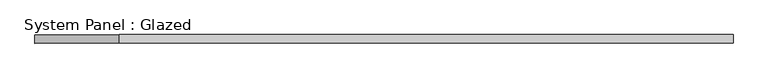
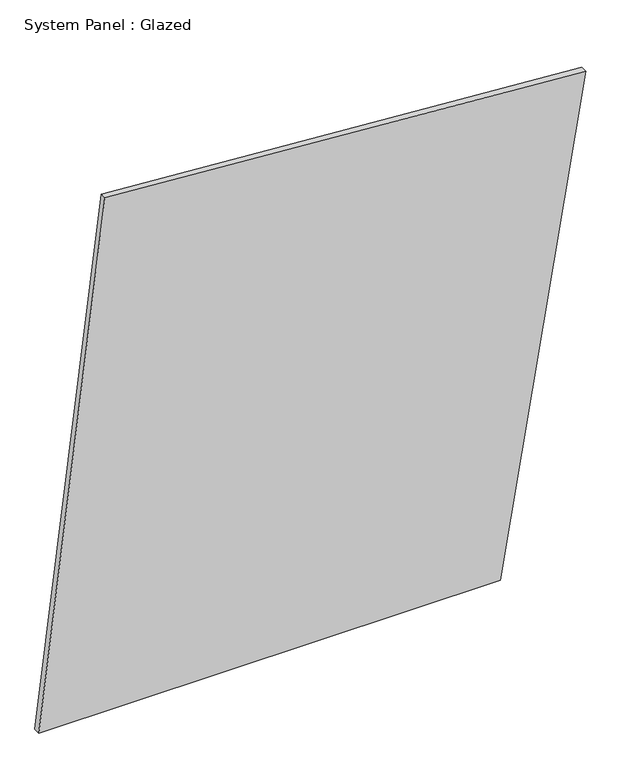
"""IFC4 building model written with IfcOpenShell, lengths in millimetres: plate geometry, System Panel : Glazed."""

from ifc_helpers import new_model, si_unit, frame, origin, place, context, project, spatial, polyline, outline, extrude, source, transform, mapped, element, save


def system_panel_glazed_e08ceaf6(model_context):
    return source(origin(), model_context, "Body", "SweptSolid", [
        extrude(outline(polyline([(0.0, -1028.5027656), (0.0, 706.746079), (1911.9009999, 1028.5027656), (2040.4414821, -779.7561035), (0.0, -1028.5027656)])), frame((0.0, 24.5, 0.0), z_axis=(0.0, 1.0, 0.0), x_axis=(0.0, 0.0, 1.0)), (0.0, 0.0, 1.0), 25.0),
    ])


if __name__ == "__main__":
    model = new_model("IFC4")
    model_context = context("Model", 3, world=origin())
    ifc_project = project(units=[si_unit("LENGTHUNIT", "METRE", prefix="MILLI")], contexts=[model_context])
    site = spatial("IfcSite", under=ifc_project)
    building = spatial("IfcBuilding", under=site)
    placement = place(None, origin())
    system_panel_glazed_shape = system_panel_glazed_e08ceaf6(model_context)
    element("IfcPlate", 1, ObjectType="System Panel : Glazed", at=placement, inside=building, context=model_context, shape_type="MappedRepresentation", body=[
        mapped(system_panel_glazed_shape, transform((0.0, 0.0, 0.0), x_axis=(1.0, 0.0, 0.0), y_axis=(0.0, 1.0, 0.0), z_axis=(0.0, 0.0, 1.0))),
    ])
    save(model, "model.ifc")
